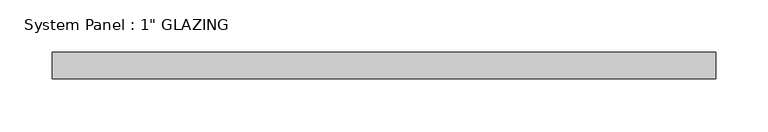
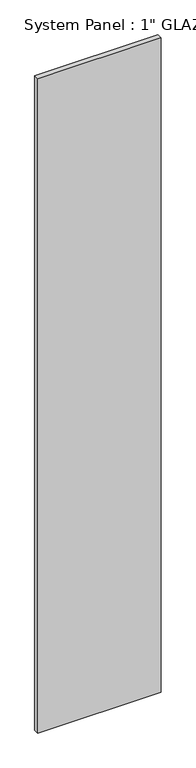
"""IFC4 building model written with IfcOpenShell, lengths in millimetres: plate geometry."""

from ifc_helpers import new_model, si_unit, origin, origin_with_axes, place, context, project, spatial, polyline, outline, extrude, source, transform, mapped, element, save


def plate_0f346e57(model_context):
    return source(origin(), model_context, "Body", "SweptSolid", [
        extrude(outline(polyline([(317.4999998, -12.7), (-317.4999998, -12.7), (-317.4999998, 12.7), (317.4999998, 12.7), (317.4999998, -12.7)])), origin_with_axes(), (0.0, 0.0, 1.0), 3556.0),
    ])


if __name__ == "__main__":
    model = new_model("IFC4")
    model_context = context("Model", 3, world=origin())
    ifc_project = project(units=[si_unit("LENGTHUNIT", "METRE", prefix="MILLI")], contexts=[model_context])
    site = spatial("IfcSite", under=ifc_project)
    building = spatial("IfcBuilding", under=site)
    placement = place(None, origin())
    plate_shape = plate_0f346e57(model_context)
    element("IfcPlate", 1, ObjectType="System Panel : 1\" GLAZING", at=placement, inside=building, context=model_context, shape_type="MappedRepresentation", body=[
        mapped(plate_shape, transform((0.0, 0.0, 0.0), x_axis=(1.0, 0.0, 0.0), y_axis=(0.0, 1.0, 0.0), z_axis=(0.0, 0.0, 1.0))),
    ])
    save(model, "model.ifc")
